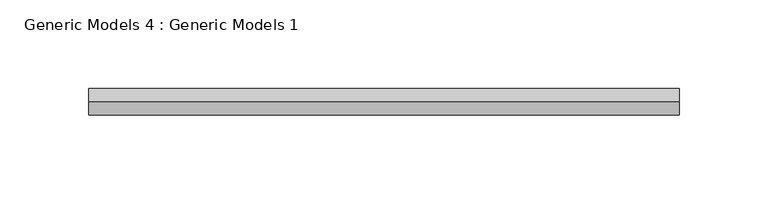
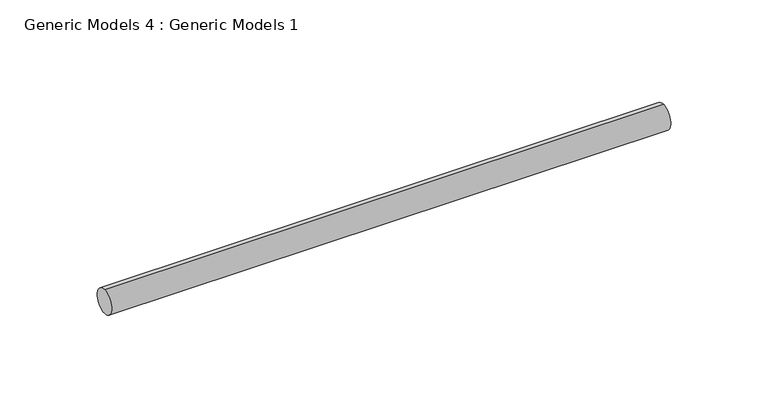
"""IFC4 building model written with IfcOpenShell, lengths in millimetres: proxy geometry, Generic Models 4 : Generic Models 1."""

from ifc_helpers import new_model, si_unit, point, frame, frame_2d, origin, place, context, project, spatial, circle_curve, trimmed, segment, composite_curve, outline, extrude, source, transform, mapped, element, save


def generic_models_4_generic_models_1_823df467(model_context):
    return source(origin(), model_context, "Body", "SweptSolid", [
        extrude(outline(composite_curve([segment(trimmed(circle_curve(frame_2d((400.3057469, -814.107223)), 7.5), [point((400.3057469, -821.607223))], [point((400.3057469, -806.607223))], False, "CARTESIAN"), True, "CONTINUOUS"), segment(trimmed(circle_curve(frame_2d((400.3057469, -814.107223)), 7.5), [point((400.3057469, -806.607223))], [point((400.3057469, -821.607223))], False, "CARTESIAN"), True, "CONTINUOUS")], self_intersect=False)), frame((1232.3391801, 0.0, 0.0), z_axis=(1.0, 0.0, 0.0), x_axis=(0.0, 1.0, 0.0)), (0.0, 0.0, 1.0), 332.0),
    ])


if __name__ == "__main__":
    model = new_model("IFC4")
    model_context = context("Model", 3, world=origin())
    ifc_project = project(units=[si_unit("LENGTHUNIT", "METRE", prefix="MILLI")], contexts=[model_context])
    site = spatial("IfcSite", under=ifc_project)
    building = spatial("IfcBuilding", under=site)
    placement = place(None, origin())
    generic_models_4_generic_models_1_shape = generic_models_4_generic_models_1_823df467(model_context)
    element("IfcBuildingElementProxy", 1, Name="Generic Models 4 : Generic Models 1", ObjectType="Generic Models 4 : Generic Models 1", at=placement, inside=building, context=model_context, shape_type="MappedRepresentation", body=[
        mapped(generic_models_4_generic_models_1_shape, transform((0.0, 0.0, 0.0), x_axis=(1.0, 0.0, 0.0), y_axis=(0.0, 1.0, 0.0), z_axis=(0.0, 0.0, 1.0))),
    ])
    save(model, "model.ifc")
